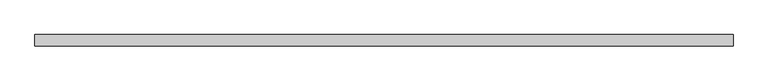
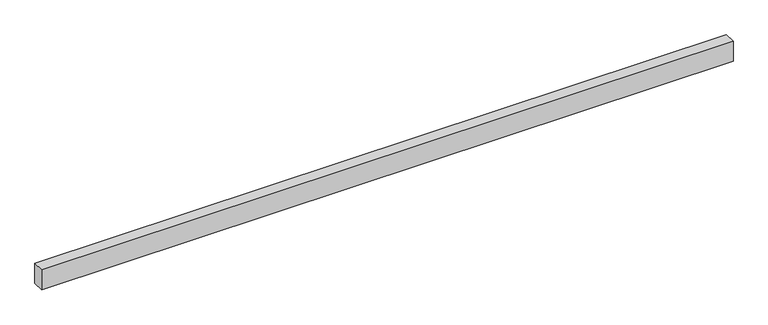
"""IFC4 building model written with IfcOpenShell, lengths in millimetres: furniture geometry."""

import ifcopenshell
import ifcopenshell.guid

model = None  # the IFC model being written
_history = None  # IfcOwnerHistory: only IFC2X3 demands one
_inside = {}  # id of a spatial element -> (the spatial element, [elements in it])
_under = {}  # id of a project, library or spatial element -> (it, [spatial elements below it])
_declared = {}  # id of a project -> (the project, [libraries it declares])
_typed = {}  # id of a type object -> (the type object, [elements of that type])
_made_of = {}  # id of a material, layer set ... -> (it, [elements and type objects made of it])


def new_model(schema):
    """Start an empty IFC model of exactly this schema.

    Asked for "IFC4X3", IfcOpenShell would pick the latest addendum, in which some entities
    have other attributes; the version numbers below select the first issue.
    IFC2X3 requires an IfcOwnerHistory on every rooted entity: one is made here for all.
    """
    global model, _history
    if schema == "IFC4X3":
        model = ifcopenshell.file(schema_version=(4, 3, 0, 0))
    else:
        model = ifcopenshell.file(schema=schema)
    _inside.clear()
    _under.clear()
    _declared.clear()
    _typed.clear()
    _made_of.clear()
    _history = None
    if model.schema == "IFC2X3":
        org = make("IfcOrganization", Name="unknown")
        user = make(
            "IfcPersonAndOrganization",
            ThePerson=make("IfcPerson", FamilyName="unknown"),
            TheOrganization=org,
        )
        app = make(
            "IfcApplication",
            ApplicationDeveloper=org,
            Version="unknown",
            ApplicationFullName="unknown",
            ApplicationIdentifier="unknown",
        )
        _history = make(
            "IfcOwnerHistory",
            OwningUser=user,
            OwningApplication=app,
            ChangeAction="ADDED",
            CreationDate=0,
        )
    return model


def make(cls, **values):
    """One entity of the class cls with the attributes given. An attribute that is None is left unset."""
    return model.create_entity(
        cls, **{name: value for name, value in values.items() if value is not None}
    )


def rooted(cls, **values):
    """An entity with a GlobalId (a new one), such as an element, a storey or a relation."""
    return make(cls, GlobalId=ifcopenshell.guid.new(), OwnerHistory=_history, **values)


def si_unit(unit_type, name, prefix=None):
    """IfcSIUnit, for example si_unit("LENGTHUNIT", "METRE", prefix="MILLI")."""
    return make("IfcSIUnit", UnitType=unit_type, Prefix=prefix, Name=name)


def assignment(units):
    """IfcUnitAssignment: the units of a project."""
    return None if units is None else make("IfcUnitAssignment", Units=units)


def point(xyz):
    """IfcCartesianPoint."""
    return None if xyz is None else make("IfcCartesianPoint", Coordinates=xyz)


def direction(xyz):
    """IfcDirection."""
    return None if xyz is None else make("IfcDirection", DirectionRatios=xyz)


def frame(location, z_axis=None, x_axis=None):
    """IfcAxis2Placement3D, a coordinate frame: its origin and axes. An axis left out is left unset."""
    return make(
        "IfcAxis2Placement3D",
        Location=point(location),
        Axis=direction(z_axis),
        RefDirection=direction(x_axis),
    )


def origin():
    """The frame at (0, 0, 0) with its axes left unset."""
    return frame((0.0, 0.0, 0.0))


def place(relative_to, where):
    """IfcLocalPlacement: puts the frame where relative to a parent placement (None: the world)."""
    return make(
        "IfcLocalPlacement", PlacementRelTo=relative_to, RelativePlacement=where
    )


def context(
    kind, dimensions, precision=None, world=None, true_north=None, identifier=None
):
    """IfcGeometricRepresentationContext, for example the 3D "Model" context."""
    return make(
        "IfcGeometricRepresentationContext",
        ContextIdentifier=identifier,
        ContextType=kind,
        CoordinateSpaceDimension=dimensions,
        Precision=precision,
        WorldCoordinateSystem=world,
        TrueNorth=true_north,
    )


def project(units=None, contexts=None):
    """IfcProject with its units and contexts."""
    return rooted(
        "IfcProject",
        Name="project",
        RepresentationContexts=contexts,
        UnitsInContext=assignment(units),
    )


def spatial(cls, under=None, at=None, **own):
    """A site, building, storey or space (cls), placed at a placement, below another one or the project."""
    s = rooted(cls, ObjectPlacement=at, **own)
    if under is not None:
        _under.setdefault(under.id(), (under, []))[1].append(s)
    return s


def polyline(points):
    """IfcPolyline through the points."""
    return make("IfcPolyline", Points=[point(p) for p in points])


def outline(outer, holes=None, kind="AREA"):
    """IfcArbitraryClosedProfileDef: a profile drawn as a closed curve; with holes, ...WithVoids."""
    if holes is None:
        return make("IfcArbitraryClosedProfileDef", ProfileType=kind, OuterCurve=outer)
    return make(
        "IfcArbitraryProfileDefWithVoids",
        ProfileType=kind,
        OuterCurve=outer,
        InnerCurves=holes,
    )


def extrude(swept, where, along, depth):
    """IfcExtrudedAreaSolid: the profile swept, set in the frame where, extruded along a direction by depth."""
    return make(
        "IfcExtrudedAreaSolid",
        SweptArea=swept,
        Position=where,
        ExtrudedDirection=direction(along),
        Depth=depth,
    )


def shape(context_of_items, identifier, shape_type, items):
    """IfcShapeRepresentation: the items that make up one representation, for example the "Body"."""
    return make(
        "IfcShapeRepresentation",
        ContextOfItems=context_of_items,
        RepresentationIdentifier=identifier,
        RepresentationType=shape_type,
        Items=items,
    )


def source(mapping_origin, context_of_items, identifier, shape_type, items):
    """IfcRepresentationMap: a shape defined once, which mapped items show again and again."""
    return make(
        "IfcRepresentationMap",
        MappingOrigin=mapping_origin,
        MappedRepresentation=shape(context_of_items, identifier, shape_type, items),
    )


def transform(
    local_origin,
    x_axis=None,
    y_axis=None,
    z_axis=None,
    scale=None,
    scale2=None,
    scale3=None,
    uniform=True,
):
    """IfcCartesianTransformationOperator3D, or its non-uniform kind. x_axis, y_axis, z_axis: its Axis1, 2, 3."""
    if uniform:
        return make(
            "IfcCartesianTransformationOperator3D",
            Axis1=direction(x_axis),
            Axis2=direction(y_axis),
            LocalOrigin=point(local_origin),
            Scale=scale,
            Axis3=direction(z_axis),
        )
    return make(
        "IfcCartesianTransformationOperator3DnonUniform",
        Axis1=direction(x_axis),
        Axis2=direction(y_axis),
        LocalOrigin=point(local_origin),
        Scale=scale,
        Axis3=direction(z_axis),
        Scale2=scale2,
        Scale3=scale3,
    )


def mapped(mapping_source, mapping_target):
    """IfcMappedItem: shows the shape of a source again, moved by a transform."""
    return make(
        "IfcMappedItem", MappingSource=mapping_source, MappingTarget=mapping_target
    )


def made_of(thing, what):
    """Note that an element or type object is made of a material, layer set ...; save() writes the relation."""
    if what is not None:
        _made_of.setdefault(what.id(), (what, []))[1].append(thing)
    return thing


def element(
    cls,
    number,
    at=None,
    inside=None,
    cuts=None,
    type_object=None,
    material=None,
    context=None,
    identifier="Body",
    shape_type=None,
    held_by="IfcProductDefinitionShape",
    body=None,
    shapes=None,
    **own,
):
    """One element of the class cls, such as IfcWall. Its Tag is "e" and its number.

    at: its placement. inside: the storey or other place that contains it. cuts: it is an
    opening in that element (IfcRelVoidsElement). A single representation is given by context,
    identifier, shape_type and body (its items); several are given by shapes. held_by: the class
    of the entity that holds the representations. save() writes the other relations.
    """
    e = rooted(cls, Tag="e%d" % number, ObjectPlacement=at, **own)
    if body is not None:
        shapes = [shape(context, identifier, shape_type, body)]
    if shapes is not None:
        e.Representation = make(held_by, Representations=shapes)
    if inside is not None:
        _inside.setdefault(inside.id(), (inside, []))[1].append(e)
    if cuts is not None:
        rooted(
            "IfcRelVoidsElement", RelatingBuildingElement=cuts, RelatedOpeningElement=e
        )
    if type_object is not None:
        _typed.setdefault(type_object.id(), (type_object, []))[1].append(e)
    return made_of(e, material)


def aggregate(whole, parts):
    """IfcRelAggregates: a whole, such as a stair, and the parts it consists of."""
    return rooted("IfcRelAggregates", RelatingObject=whole, RelatedObjects=parts)


def save(model, path):
    """Write the relations noted so far, then the file.

    IfcRelAggregates (storeys below a building ...), IfcRelContainedInSpatialStructure (elements
    in a storey), IfcRelDefinesByType, IfcRelAssociatesMaterial and IfcRelDeclares: one each for
    every whole, place, type object, material and project.
    """
    for whole, parts in _under.values():
        aggregate(whole, parts)
    for where, things in _inside.values():
        rooted(
            "IfcRelContainedInSpatialStructure",
            RelatedElements=things,
            RelatingStructure=where,
        )
    for kind, things in _typed.values():
        rooted("IfcRelDefinesByType", RelatedObjects=things, RelatingType=kind)
    for what, things in _made_of.values():
        rooted("IfcRelAssociatesMaterial", RelatedObjects=things, RelatingMaterial=what)
    for by, libraries in _declared.values():
        rooted("IfcRelDeclares", RelatingContext=by, RelatedDefinitions=libraries)
    model.write(path)


def furniture_a8ec2110(model_context):
    return source(origin(), model_context, "Body", "SweptSolid", [
        extrude(outline(polyline([(3074.7208, -25.4), (0.0, -25.4), (0.0, 25.4), (3074.7208, 25.4), (3074.7208, -25.4)])), frame((0.0, 0.0, 2193.163), z_axis=(0.0, 0.0, 1.0), x_axis=(1.0, 0.0, 0.0)), (0.0, 0.0, 1.0), 92.71),
    ])


if __name__ == "__main__":
    model = new_model("IFC4")
    model_context = context("Model", 3, world=origin())
    ifc_project = project(units=[si_unit("LENGTHUNIT", "METRE", prefix="MILLI")], contexts=[model_context])
    site = spatial("IfcSite", under=ifc_project)
    building = spatial("IfcBuilding", under=site)
    placement = place(None, origin())
    furniture_shape = furniture_a8ec2110(model_context)
    element("IfcFurniture", 1, at=placement, inside=building, context=model_context, shape_type="MappedRepresentation", body=[
        mapped(furniture_shape, transform((0.0, 0.0, 0.0), x_axis=(1.0, 0.0, 0.0), y_axis=(0.0, 1.0, 0.0), z_axis=(0.0, 0.0, 1.0))),
    ])
    save(model, "model.ifc")
